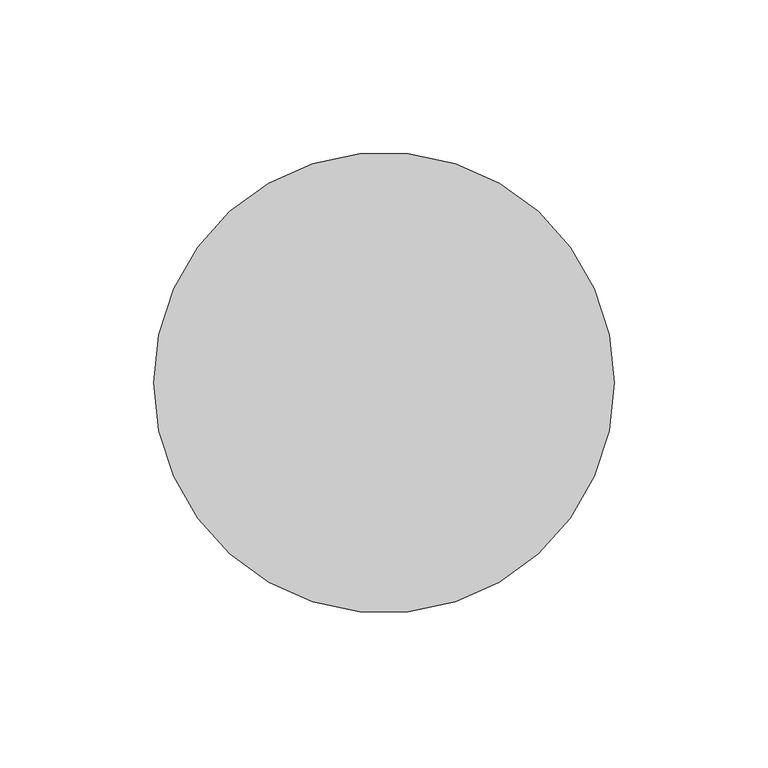
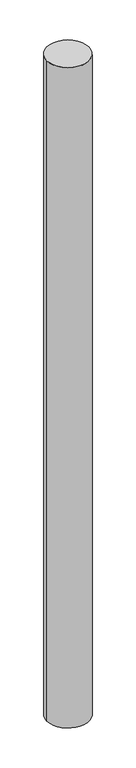
"""IFC4 building model written with IfcOpenShell, lengths in millimetres: column geometry."""

import ifcopenshell
import ifcopenshell.guid

model = None  # the IFC model being written
_history = None  # IfcOwnerHistory: only IFC2X3 demands one
_inside = {}  # id of a spatial element -> (the spatial element, [elements in it])
_under = {}  # id of a project, library or spatial element -> (it, [spatial elements below it])
_declared = {}  # id of a project -> (the project, [libraries it declares])
_typed = {}  # id of a type object -> (the type object, [elements of that type])
_made_of = {}  # id of a material, layer set ... -> (it, [elements and type objects made of it])


def new_model(schema):
    """Start an empty IFC model of exactly this schema.

    Asked for "IFC4X3", IfcOpenShell would pick the latest addendum, in which some entities
    have other attributes; the version numbers below select the first issue.
    IFC2X3 requires an IfcOwnerHistory on every rooted entity: one is made here for all.
    """
    global model, _history
    if schema == "IFC4X3":
        model = ifcopenshell.file(schema_version=(4, 3, 0, 0))
    else:
        model = ifcopenshell.file(schema=schema)
    _inside.clear()
    _under.clear()
    _declared.clear()
    _typed.clear()
    _made_of.clear()
    _history = None
    if model.schema == "IFC2X3":
        org = make("IfcOrganization", Name="unknown")
        user = make(
            "IfcPersonAndOrganization",
            ThePerson=make("IfcPerson", FamilyName="unknown"),
            TheOrganization=org,
        )
        app = make(
            "IfcApplication",
            ApplicationDeveloper=org,
            Version="unknown",
            ApplicationFullName="unknown",
            ApplicationIdentifier="unknown",
        )
        _history = make(
            "IfcOwnerHistory",
            OwningUser=user,
            OwningApplication=app,
            ChangeAction="ADDED",
            CreationDate=0,
        )
    return model


def make(cls, **values):
    """One entity of the class cls with the attributes given. An attribute that is None is left unset."""
    return model.create_entity(
        cls, **{name: value for name, value in values.items() if value is not None}
    )


def rooted(cls, **values):
    """An entity with a GlobalId (a new one), such as an element, a storey or a relation."""
    return make(cls, GlobalId=ifcopenshell.guid.new(), OwnerHistory=_history, **values)


def si_unit(unit_type, name, prefix=None):
    """IfcSIUnit, for example si_unit("LENGTHUNIT", "METRE", prefix="MILLI")."""
    return make("IfcSIUnit", UnitType=unit_type, Prefix=prefix, Name=name)


def assignment(units):
    """IfcUnitAssignment: the units of a project."""
    return None if units is None else make("IfcUnitAssignment", Units=units)


def point(xyz):
    """IfcCartesianPoint."""
    return None if xyz is None else make("IfcCartesianPoint", Coordinates=xyz)


def direction(xyz):
    """IfcDirection."""
    return None if xyz is None else make("IfcDirection", DirectionRatios=xyz)


def frame(location, z_axis=None, x_axis=None):
    """IfcAxis2Placement3D, a coordinate frame: its origin and axes. An axis left out is left unset."""
    return make(
        "IfcAxis2Placement3D",
        Location=point(location),
        Axis=direction(z_axis),
        RefDirection=direction(x_axis),
    )


def frame_2d(location, x_axis=None):
    """IfcAxis2Placement2D, a coordinate frame in the plane: its origin and x axis."""
    return make(
        "IfcAxis2Placement2D", Location=point(location), RefDirection=direction(x_axis)
    )


def origin():
    """The frame at (0, 0, 0) with its axes left unset."""
    return frame((0.0, 0.0, 0.0))


def origin_with_axes():
    """The frame at (0, 0, 0) with the z axis (0, 0, 1) and the x axis (1, 0, 0) written out."""
    return frame((0.0, 0.0, 0.0), z_axis=(0.0, 0.0, 1.0), x_axis=(1.0, 0.0, 0.0))


def origin_2d():
    """The frame at (0, 0) in the plane with its x axis left unset."""
    return frame_2d((0.0, 0.0))


def place(relative_to, where):
    """IfcLocalPlacement: puts the frame where relative to a parent placement (None: the world)."""
    return make(
        "IfcLocalPlacement", PlacementRelTo=relative_to, RelativePlacement=where
    )


def context(
    kind, dimensions, precision=None, world=None, true_north=None, identifier=None
):
    """IfcGeometricRepresentationContext, for example the 3D "Model" context."""
    return make(
        "IfcGeometricRepresentationContext",
        ContextIdentifier=identifier,
        ContextType=kind,
        CoordinateSpaceDimension=dimensions,
        Precision=precision,
        WorldCoordinateSystem=world,
        TrueNorth=true_north,
    )


def project(units=None, contexts=None):
    """IfcProject with its units and contexts."""
    return rooted(
        "IfcProject",
        Name="project",
        RepresentationContexts=contexts,
        UnitsInContext=assignment(units),
    )


def spatial(cls, under=None, at=None, **own):
    """A site, building, storey or space (cls), placed at a placement, below another one or the project."""
    s = rooted(cls, ObjectPlacement=at, **own)
    if under is not None:
        _under.setdefault(under.id(), (under, []))[1].append(s)
    return s


def circle_curve(where, radius):
    """IfcCircle in the frame where."""
    return make("IfcCircle", Position=where, Radius=radius)


def trimmed(basis, trim1, trim2, sense, master):
    """IfcTrimmedCurve: the piece of a basis curve between two trims."""
    return make(
        "IfcTrimmedCurve",
        BasisCurve=basis,
        Trim1=trim1,
        Trim2=trim2,
        SenseAgreement=sense,
        MasterRepresentation=master,
    )


def segment(curve, same_sense, transition):
    """IfcCompositeCurveSegment."""
    return make(
        "IfcCompositeCurveSegment",
        Transition=transition,
        SameSense=same_sense,
        ParentCurve=curve,
    )


def composite_curve(segments, self_intersect=None):
    """IfcCompositeCurve: segments joined end to end."""
    return make("IfcCompositeCurve", Segments=segments, SelfIntersect=self_intersect)


def outline(outer, holes=None, kind="AREA"):
    """IfcArbitraryClosedProfileDef: a profile drawn as a closed curve; with holes, ...WithVoids."""
    if holes is None:
        return make("IfcArbitraryClosedProfileDef", ProfileType=kind, OuterCurve=outer)
    return make(
        "IfcArbitraryProfileDefWithVoids",
        ProfileType=kind,
        OuterCurve=outer,
        InnerCurves=holes,
    )


def extrude(swept, where, along, depth):
    """IfcExtrudedAreaSolid: the profile swept, set in the frame where, extruded along a direction by depth."""
    return make(
        "IfcExtrudedAreaSolid",
        SweptArea=swept,
        Position=where,
        ExtrudedDirection=direction(along),
        Depth=depth,
    )


def shape(context_of_items, identifier, shape_type, items):
    """IfcShapeRepresentation: the items that make up one representation, for example the "Body"."""
    return make(
        "IfcShapeRepresentation",
        ContextOfItems=context_of_items,
        RepresentationIdentifier=identifier,
        RepresentationType=shape_type,
        Items=items,
    )


def source(mapping_origin, context_of_items, identifier, shape_type, items):
    """IfcRepresentationMap: a shape defined once, which mapped items show again and again."""
    return make(
        "IfcRepresentationMap",
        MappingOrigin=mapping_origin,
        MappedRepresentation=shape(context_of_items, identifier, shape_type, items),
    )


def transform(
    local_origin,
    x_axis=None,
    y_axis=None,
    z_axis=None,
    scale=None,
    scale2=None,
    scale3=None,
    uniform=True,
):
    """IfcCartesianTransformationOperator3D, or its non-uniform kind. x_axis, y_axis, z_axis: its Axis1, 2, 3."""
    if uniform:
        return make(
            "IfcCartesianTransformationOperator3D",
            Axis1=direction(x_axis),
            Axis2=direction(y_axis),
            LocalOrigin=point(local_origin),
            Scale=scale,
            Axis3=direction(z_axis),
        )
    return make(
        "IfcCartesianTransformationOperator3DnonUniform",
        Axis1=direction(x_axis),
        Axis2=direction(y_axis),
        LocalOrigin=point(local_origin),
        Scale=scale,
        Axis3=direction(z_axis),
        Scale2=scale2,
        Scale3=scale3,
    )


def mapped(mapping_source, mapping_target):
    """IfcMappedItem: shows the shape of a source again, moved by a transform."""
    return make(
        "IfcMappedItem", MappingSource=mapping_source, MappingTarget=mapping_target
    )


def made_of(thing, what):
    """Note that an element or type object is made of a material, layer set ...; save() writes the relation."""
    if what is not None:
        _made_of.setdefault(what.id(), (what, []))[1].append(thing)
    return thing


def element(
    cls,
    number,
    at=None,
    inside=None,
    cuts=None,
    type_object=None,
    material=None,
    context=None,
    identifier="Body",
    shape_type=None,
    held_by="IfcProductDefinitionShape",
    body=None,
    shapes=None,
    **own,
):
    """One element of the class cls, such as IfcWall. Its Tag is "e" and its number.

    at: its placement. inside: the storey or other place that contains it. cuts: it is an
    opening in that element (IfcRelVoidsElement). A single representation is given by context,
    identifier, shape_type and body (its items); several are given by shapes. held_by: the class
    of the entity that holds the representations. save() writes the other relations.
    """
    e = rooted(cls, Tag="e%d" % number, ObjectPlacement=at, **own)
    if body is not None:
        shapes = [shape(context, identifier, shape_type, body)]
    if shapes is not None:
        e.Representation = make(held_by, Representations=shapes)
    if inside is not None:
        _inside.setdefault(inside.id(), (inside, []))[1].append(e)
    if cuts is not None:
        rooted(
            "IfcRelVoidsElement", RelatingBuildingElement=cuts, RelatedOpeningElement=e
        )
    if type_object is not None:
        _typed.setdefault(type_object.id(), (type_object, []))[1].append(e)
    return made_of(e, material)


def aggregate(whole, parts):
    """IfcRelAggregates: a whole, such as a stair, and the parts it consists of."""
    return rooted("IfcRelAggregates", RelatingObject=whole, RelatedObjects=parts)


def save(model, path):
    """Write the relations noted so far, then the file.

    IfcRelAggregates (storeys below a building ...), IfcRelContainedInSpatialStructure (elements
    in a storey), IfcRelDefinesByType, IfcRelAssociatesMaterial and IfcRelDeclares: one each for
    every whole, place, type object, material and project.
    """
    for whole, parts in _under.values():
        aggregate(whole, parts)
    for where, things in _inside.values():
        rooted(
            "IfcRelContainedInSpatialStructure",
            RelatedElements=things,
            RelatingStructure=where,
        )
    for kind, things in _typed.values():
        rooted("IfcRelDefinesByType", RelatedObjects=things, RelatingType=kind)
    for what, things in _made_of.values():
        rooted("IfcRelAssociatesMaterial", RelatedObjects=things, RelatingMaterial=what)
    for by, libraries in _declared.values():
        rooted("IfcRelDeclares", RelatingContext=by, RelatedDefinitions=libraries)
    model.write(path)


def column_092f60bb(model_context):
    return source(origin(), model_context, "Body", "SweptSolid", [
        extrude(outline(composite_curve([segment(trimmed(circle_curve(origin_2d(), 75.0), [point((-75.0, 0.0))], [point((75.0, 0.0))], False, "CARTESIAN"), True, "CONTINUOUS"), segment(trimmed(circle_curve(origin_2d(), 75.0), [point((75.0, 0.0))], [point((-75.0, 0.0))], False, "CARTESIAN"), True, "CONTINUOUS")], self_intersect=False)), origin_with_axes(), (0.0, 0.0, 1.0), 2500.0),
    ])


if __name__ == "__main__":
    model = new_model("IFC4")
    model_context = context("Model", 3, world=origin())
    ifc_project = project(units=[si_unit("LENGTHUNIT", "METRE", prefix="MILLI")], contexts=[model_context])
    site = spatial("IfcSite", under=ifc_project)
    building = spatial("IfcBuilding", under=site)
    placement = place(None, origin())
    column_shape = column_092f60bb(model_context)
    element("IfcColumn", 1, at=placement, inside=building, context=model_context, shape_type="MappedRepresentation", body=[
        mapped(column_shape, transform((0.0, 0.0, 0.0), x_axis=(1.0, 0.0, 0.0), y_axis=(0.0, 1.0, 0.0), z_axis=(0.0, 0.0, 1.0))),
    ])
    save(model, "model.ifc")
